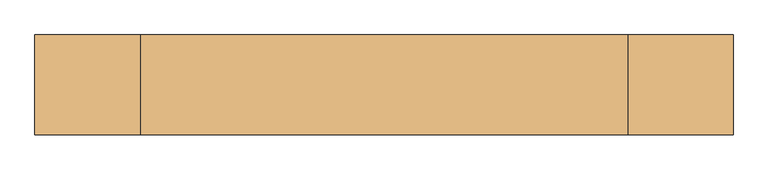
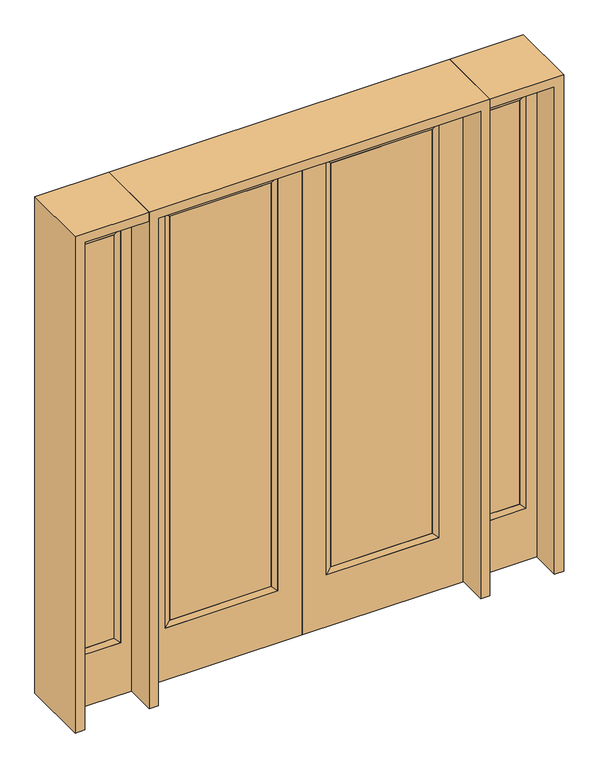
"""IFC4 building model written with IfcOpenShell, lengths in millimetres: door geometry."""

from ifc_helpers import new_model, si_unit, frame, origin, place, context, project, spatial, polyline, outline, extrude, faceted_brep, source, transform, mapped, element, save


def door_227e5fd1(model_context):
    return source(origin(), model_context, "Body", "SolidModel", [
        extrude(outline(polyline([(140.8176, -12.7039749), (140.8176, 14.2875), (621.1824, 14.2875), (621.1824, -12.7039749), (140.8176, -12.7039749)])), frame((0.0, 0.0, 285.75), z_axis=(0.0, 0.0, 1.0), x_axis=(1.0, 0.0, 0.0)), (0.0, 0.0, 1.0), 2019.3),
        faceted_brep([(140.8176, 14.2875, 2305.05), (140.8176, 14.2875, 285.75), (115.4176, 22.225, 260.35), (115.4176, 22.225, 2330.45), (115.4176, -22.225, 260.35), (115.4176, -22.225, 2330.45), (621.1824, 14.2875, 285.75), (646.5824, 22.225, 260.35), (140.8176, -12.7039749, 2305.05), (140.8176, -12.7039749, 285.75), (621.1824, -12.7039749, 285.75), (646.5824, -22.225, 260.35), (621.1824, 14.2875, 2305.05), (646.5824, 22.225, 2330.45), (621.1824, -12.7039749, 2305.05), (646.5824, -22.225, 2330.45)], [[[0, 1, 2, 3]], [[3, 2, 4, 5]], [[1, 6, 7, 2]], [[8, 9, 1, 0]], [[9, 10, 6, 1]], [[5, 4, 9, 8]], [[4, 11, 10, 9]], [[2, 7, 11, 4]], [[6, 12, 13, 7]], [[10, 14, 12, 6]], [[11, 15, 14, 10]], [[7, 13, 15, 11]], [[12, 0, 3, 13]], [[14, 8, 0, 12]], [[15, 5, 8, 14]], [[13, 3, 5, 15]]]),
        extrude(outline(polyline([(0.0, 762.0), (2438.4, 762.0), (2438.4, 0.0), (0.0, 0.0), (0.0, 762.0)]), holes=[polyline([(260.35, 646.5824), (260.35, 115.4176), (2330.45, 115.4176), (2330.45, 646.5824), (260.35, 646.5824)])]), frame((0.0, -22.225, 0.0), z_axis=(0.0, 1.0, 0.0), x_axis=(0.0, 0.0, 1.0)), (0.0, 0.0, 1.0), 44.45),
        extrude(outline(polyline([(-140.8176, -12.7039749), (-621.1824, -12.7039749), (-621.1824, 14.2875), (-140.8176, 14.2875), (-140.8176, -12.7039749)])), frame((0.0, 0.0, 285.75), z_axis=(0.0, 0.0, 1.0), x_axis=(1.0, 0.0, 0.0)), (0.0, 0.0, 1.0), 2019.3),
        faceted_brep([(-140.8176, 14.2875, 2305.05), (-115.4176, 22.225, 2330.45), (-115.4176, 22.225, 260.35), (-140.8176, 14.2875, 285.75), (-115.4176, -22.225, 2330.45), (-115.4176, -22.225, 260.35), (-646.5824, 22.225, 260.35), (-621.1824, 14.2875, 285.75), (-140.8176, -12.7039749, 2305.05), (-140.8176, -12.7039749, 285.75), (-621.1824, -12.7039749, 285.75), (-646.5824, -22.225, 260.35), (-646.5824, 22.225, 2330.45), (-621.1824, 14.2875, 2305.05), (-621.1824, -12.7039749, 2305.05), (-646.5824, -22.225, 2330.45)], [[[0, 1, 2, 3]], [[1, 4, 5, 2]], [[3, 2, 6, 7]], [[8, 0, 3, 9]], [[9, 3, 7, 10]], [[4, 8, 9, 5]], [[5, 9, 10, 11]], [[2, 5, 11, 6]], [[7, 6, 12, 13]], [[10, 7, 13, 14]], [[11, 10, 14, 15]], [[6, 11, 15, 12]], [[13, 12, 1, 0]], [[14, 13, 0, 8]], [[15, 14, 8, 4]], [[12, 15, 4, 1]]]),
        extrude(outline(polyline([(0.0, -762.0), (0.0, 0.0), (2438.4, 0.0), (2438.4, -762.0), (0.0, -762.0)]), holes=[polyline([(260.35, -646.5824), (2330.45, -646.5824), (2330.45, -115.4176), (260.35, -115.4176), (260.35, -646.5824)])]), frame((0.0, -22.225, 0.0), z_axis=(0.0, 1.0, 0.0), x_axis=(0.0, 0.0, 1.0)), (0.0, 0.0, 1.0), 44.45),
        faceted_brep([(857.25, 20.6375, 2330.45), (857.25, 20.6375, 260.35), (857.25, -20.6375, 260.35), (857.25, -20.6375, 2330.45), (882.65, -12.7, 285.75), (882.65, -12.7, 2305.05), (1060.45, 20.6375, 260.35), (1060.45, -20.6375, 260.35), (882.65, 12.7, 2305.05), (882.65, 12.7, 285.75), (1035.05, 12.7, 285.75), (1035.05, -12.7, 285.75), (1060.45, 20.6375, 2330.45), (1060.45, -20.6375, 2330.45), (1035.05, 12.7, 2305.05), (1035.05, -12.7, 2305.05)], [[[0, 1, 2, 3]], [[3, 2, 4, 5]], [[1, 6, 7, 2]], [[8, 9, 1, 0]], [[9, 10, 6, 1]], [[5, 4, 9, 8]], [[4, 11, 10, 9]], [[2, 7, 11, 4]], [[6, 12, 13, 7]], [[10, 14, 12, 6]], [[11, 15, 14, 10]], [[7, 13, 15, 11]], [[12, 0, 3, 13]], [[14, 8, 0, 12]], [[15, 5, 8, 14]], [[13, 3, 5, 15]]]),
        extrude(outline(polyline([(0.0, 1111.25), (2438.4, 1111.25), (2438.4, 806.45), (0.0, 806.45), (0.0, 1111.25)]), holes=[polyline([(2330.45, 857.25), (2330.45, 1060.45), (260.35, 1060.45), (260.35, 857.25), (2330.45, 857.25)])]), frame((0.0, -20.6375, 0.0), z_axis=(0.0, 1.0, 0.0), x_axis=(0.0, 0.0, 1.0)), (0.0, 0.0, 1.0), 41.275),
        extrude(outline(polyline([(882.65, -12.7), (882.65, 12.7), (1035.05, 12.7), (1035.05, -12.7), (882.65, -12.7)])), frame((0.0, 0.0, 285.75), z_axis=(0.0, 0.0, 1.0), x_axis=(1.0, 0.0, 0.0)), (0.0, 0.0, 1.0), 2019.3),
        faceted_brep([(-857.25, 20.6375, 2330.45), (-857.25, -20.6375, 2330.45), (-857.25, -20.6375, 260.35), (-857.25, 20.6375, 260.35), (-882.65, -12.7, 2305.05), (-882.65, -12.7, 285.75), (-1060.45, -20.6375, 260.35), (-1060.45, 20.6375, 260.35), (-882.65, 12.7, 2305.05), (-882.65, 12.7, 285.75), (-1035.05, 12.7, 285.75), (-1035.05, -12.7, 285.75), (-1060.45, -20.6375, 2330.45), (-1060.45, 20.6375, 2330.45), (-1035.05, 12.7, 2305.05), (-1035.05, -12.7, 2305.05)], [[[0, 1, 2, 3]], [[1, 4, 5, 2]], [[3, 2, 6, 7]], [[8, 0, 3, 9]], [[9, 3, 7, 10]], [[4, 8, 9, 5]], [[5, 9, 10, 11]], [[2, 5, 11, 6]], [[7, 6, 12, 13]], [[10, 7, 13, 14]], [[11, 10, 14, 15]], [[6, 11, 15, 12]], [[13, 12, 1, 0]], [[14, 13, 0, 8]], [[15, 14, 8, 4]], [[12, 15, 4, 1]]]),
        extrude(outline(polyline([(0.0, -1111.25), (0.0, -806.45), (2438.4, -806.45), (2438.4, -1111.25), (0.0, -1111.25)]), holes=[polyline([(2330.45, -857.25), (260.35, -857.25), (260.35, -1060.45), (2330.45, -1060.45), (2330.45, -857.25)])]), frame((0.0, -20.6375, 0.0), z_axis=(0.0, 1.0, 0.0), x_axis=(0.0, 0.0, 1.0)), (0.0, 0.0, 1.0), 41.275),
        extrude(outline(polyline([(-882.65, -12.7), (-1035.05, -12.7), (-1035.05, 12.7), (-882.65, 12.7), (-882.65, -12.7)])), frame((0.0, 0.0, 285.75), z_axis=(0.0, 0.0, 1.0), x_axis=(1.0, 0.0, 0.0)), (0.0, 0.0, 1.0), 2019.3),
        extrude(outline(polyline([(2438.4, -806.45), (2482.85, -806.45), (2482.85, -1155.7), (0.0, -1155.7), (0.0, -1111.25), (2438.4, -1111.25), (2438.4, -806.45)])), frame((0.0, -165.1, 0.0), z_axis=(0.0, 1.0, 0.0), x_axis=(0.0, 0.0, 1.0)), (0.0, 0.0, 1.0), 330.2),
        extrude(outline(polyline([(2482.85, -806.45), (0.0, -806.45), (0.0, -762.0), (2438.4, -762.0), (2438.4, 762.0), (0.0, 762.0), (0.0, 806.45), (2482.85, 806.45), (2482.85, -806.45)])), frame((0.0, -165.1, 0.0), z_axis=(0.0, 1.0, 0.0), x_axis=(0.0, 0.0, 1.0)), (0.0, 0.0, 1.0), 330.2),
        extrude(outline(polyline([(0.0, 1111.25), (0.0, 1155.7), (2482.85, 1155.7), (2482.85, 806.45), (2438.4, 806.45), (2438.4, 1111.25), (0.0, 1111.25)])), frame((0.0, -165.1, 0.0), z_axis=(0.0, 1.0, 0.0), x_axis=(0.0, 0.0, 1.0)), (0.0, 0.0, 1.0), 330.2),
    ])


if __name__ == "__main__":
    model = new_model("IFC4")
    model_context = context("Model", 3, world=origin())
    ifc_project = project(units=[si_unit("LENGTHUNIT", "METRE", prefix="MILLI")], contexts=[model_context])
    site = spatial("IfcSite", under=ifc_project)
    building = spatial("IfcBuilding", under=site)
    placement = place(None, origin())
    door_shape = door_227e5fd1(model_context)
    element("IfcDoor", 1, at=placement, inside=building, context=model_context, shape_type="MappedRepresentation", body=[
        mapped(door_shape, transform((0.0, 0.0, 0.0), x_axis=(1.0, 0.0, 0.0), y_axis=(0.0, 1.0, 0.0), z_axis=(0.0, 0.0, 1.0))),
    ])
    save(model, "model.ifc")
